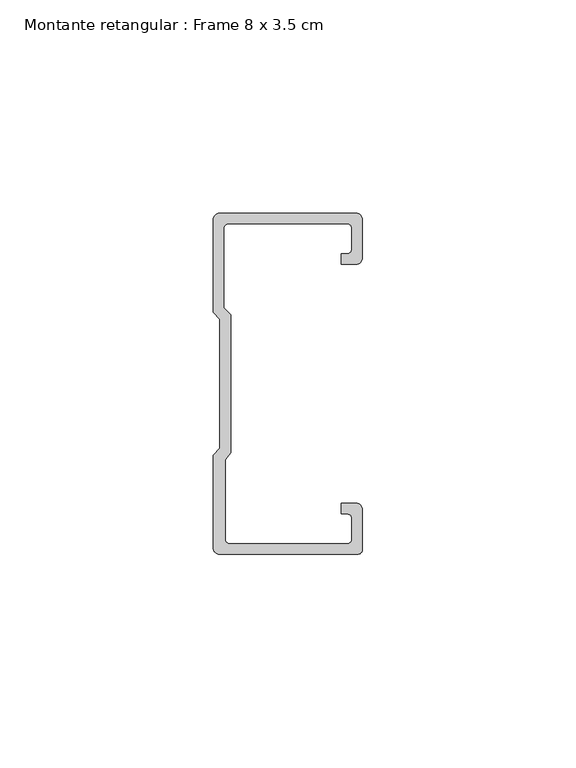
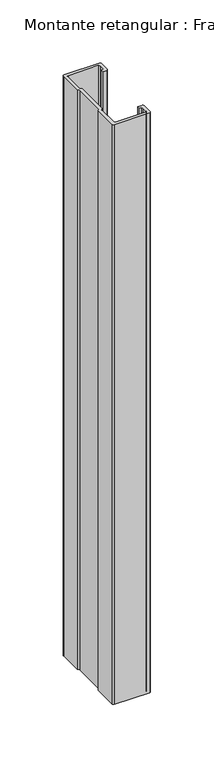
"""IFC4 building model written with IfcOpenShell, lengths in millimetres: member geometry, Montante retangular : Frame 8 x 3.5 cm."""

import ifcopenshell
import ifcopenshell.guid

model = None  # the IFC model being written
_history = None  # IfcOwnerHistory: only IFC2X3 demands one
_inside = {}  # id of a spatial element -> (the spatial element, [elements in it])
_under = {}  # id of a project, library or spatial element -> (it, [spatial elements below it])
_declared = {}  # id of a project -> (the project, [libraries it declares])
_typed = {}  # id of a type object -> (the type object, [elements of that type])
_made_of = {}  # id of a material, layer set ... -> (it, [elements and type objects made of it])


def new_model(schema):
    """Start an empty IFC model of exactly this schema.

    Asked for "IFC4X3", IfcOpenShell would pick the latest addendum, in which some entities
    have other attributes; the version numbers below select the first issue.
    IFC2X3 requires an IfcOwnerHistory on every rooted entity: one is made here for all.
    """
    global model, _history
    if schema == "IFC4X3":
        model = ifcopenshell.file(schema_version=(4, 3, 0, 0))
    else:
        model = ifcopenshell.file(schema=schema)
    _inside.clear()
    _under.clear()
    _declared.clear()
    _typed.clear()
    _made_of.clear()
    _history = None
    if model.schema == "IFC2X3":
        org = make("IfcOrganization", Name="unknown")
        user = make(
            "IfcPersonAndOrganization",
            ThePerson=make("IfcPerson", FamilyName="unknown"),
            TheOrganization=org,
        )
        app = make(
            "IfcApplication",
            ApplicationDeveloper=org,
            Version="unknown",
            ApplicationFullName="unknown",
            ApplicationIdentifier="unknown",
        )
        _history = make(
            "IfcOwnerHistory",
            OwningUser=user,
            OwningApplication=app,
            ChangeAction="ADDED",
            CreationDate=0,
        )
    return model


def make(cls, **values):
    """One entity of the class cls with the attributes given. An attribute that is None is left unset."""
    return model.create_entity(
        cls, **{name: value for name, value in values.items() if value is not None}
    )


def rooted(cls, **values):
    """An entity with a GlobalId (a new one), such as an element, a storey or a relation."""
    return make(cls, GlobalId=ifcopenshell.guid.new(), OwnerHistory=_history, **values)


def si_unit(unit_type, name, prefix=None):
    """IfcSIUnit, for example si_unit("LENGTHUNIT", "METRE", prefix="MILLI")."""
    return make("IfcSIUnit", UnitType=unit_type, Prefix=prefix, Name=name)


def assignment(units):
    """IfcUnitAssignment: the units of a project."""
    return None if units is None else make("IfcUnitAssignment", Units=units)


def point(xyz):
    """IfcCartesianPoint."""
    return None if xyz is None else make("IfcCartesianPoint", Coordinates=xyz)


def direction(xyz):
    """IfcDirection."""
    return None if xyz is None else make("IfcDirection", DirectionRatios=xyz)


def frame(location, z_axis=None, x_axis=None):
    """IfcAxis2Placement3D, a coordinate frame: its origin and axes. An axis left out is left unset."""
    return make(
        "IfcAxis2Placement3D",
        Location=point(location),
        Axis=direction(z_axis),
        RefDirection=direction(x_axis),
    )


def frame_2d(location, x_axis=None):
    """IfcAxis2Placement2D, a coordinate frame in the plane: its origin and x axis."""
    return make(
        "IfcAxis2Placement2D", Location=point(location), RefDirection=direction(x_axis)
    )


def origin():
    """The frame at (0, 0, 0) with its axes left unset."""
    return frame((0.0, 0.0, 0.0))


def place(relative_to, where):
    """IfcLocalPlacement: puts the frame where relative to a parent placement (None: the world)."""
    return make(
        "IfcLocalPlacement", PlacementRelTo=relative_to, RelativePlacement=where
    )


def context(
    kind, dimensions, precision=None, world=None, true_north=None, identifier=None
):
    """IfcGeometricRepresentationContext, for example the 3D "Model" context."""
    return make(
        "IfcGeometricRepresentationContext",
        ContextIdentifier=identifier,
        ContextType=kind,
        CoordinateSpaceDimension=dimensions,
        Precision=precision,
        WorldCoordinateSystem=world,
        TrueNorth=true_north,
    )


def project(units=None, contexts=None):
    """IfcProject with its units and contexts."""
    return rooted(
        "IfcProject",
        Name="project",
        RepresentationContexts=contexts,
        UnitsInContext=assignment(units),
    )


def spatial(cls, under=None, at=None, **own):
    """A site, building, storey or space (cls), placed at a placement, below another one or the project."""
    s = rooted(cls, ObjectPlacement=at, **own)
    if under is not None:
        _under.setdefault(under.id(), (under, []))[1].append(s)
    return s


def polyline(points):
    """IfcPolyline through the points."""
    return make("IfcPolyline", Points=[point(p) for p in points])


def circle_curve(where, radius):
    """IfcCircle in the frame where."""
    return make("IfcCircle", Position=where, Radius=radius)


def trimmed(basis, trim1, trim2, sense, master):
    """IfcTrimmedCurve: the piece of a basis curve between two trims."""
    return make(
        "IfcTrimmedCurve",
        BasisCurve=basis,
        Trim1=trim1,
        Trim2=trim2,
        SenseAgreement=sense,
        MasterRepresentation=master,
    )


def segment(curve, same_sense, transition):
    """IfcCompositeCurveSegment."""
    return make(
        "IfcCompositeCurveSegment",
        Transition=transition,
        SameSense=same_sense,
        ParentCurve=curve,
    )


def composite_curve(segments, self_intersect=None):
    """IfcCompositeCurve: segments joined end to end."""
    return make("IfcCompositeCurve", Segments=segments, SelfIntersect=self_intersect)


def outline(outer, holes=None, kind="AREA"):
    """IfcArbitraryClosedProfileDef: a profile drawn as a closed curve; with holes, ...WithVoids."""
    if holes is None:
        return make("IfcArbitraryClosedProfileDef", ProfileType=kind, OuterCurve=outer)
    return make(
        "IfcArbitraryProfileDefWithVoids",
        ProfileType=kind,
        OuterCurve=outer,
        InnerCurves=holes,
    )


def extrude(swept, where, along, depth):
    """IfcExtrudedAreaSolid: the profile swept, set in the frame where, extruded along a direction by depth."""
    return make(
        "IfcExtrudedAreaSolid",
        SweptArea=swept,
        Position=where,
        ExtrudedDirection=direction(along),
        Depth=depth,
    )


def shape(context_of_items, identifier, shape_type, items):
    """IfcShapeRepresentation: the items that make up one representation, for example the "Body"."""
    return make(
        "IfcShapeRepresentation",
        ContextOfItems=context_of_items,
        RepresentationIdentifier=identifier,
        RepresentationType=shape_type,
        Items=items,
    )


def source(mapping_origin, context_of_items, identifier, shape_type, items):
    """IfcRepresentationMap: a shape defined once, which mapped items show again and again."""
    return make(
        "IfcRepresentationMap",
        MappingOrigin=mapping_origin,
        MappedRepresentation=shape(context_of_items, identifier, shape_type, items),
    )


def transform(
    local_origin,
    x_axis=None,
    y_axis=None,
    z_axis=None,
    scale=None,
    scale2=None,
    scale3=None,
    uniform=True,
):
    """IfcCartesianTransformationOperator3D, or its non-uniform kind. x_axis, y_axis, z_axis: its Axis1, 2, 3."""
    if uniform:
        return make(
            "IfcCartesianTransformationOperator3D",
            Axis1=direction(x_axis),
            Axis2=direction(y_axis),
            LocalOrigin=point(local_origin),
            Scale=scale,
            Axis3=direction(z_axis),
        )
    return make(
        "IfcCartesianTransformationOperator3DnonUniform",
        Axis1=direction(x_axis),
        Axis2=direction(y_axis),
        LocalOrigin=point(local_origin),
        Scale=scale,
        Axis3=direction(z_axis),
        Scale2=scale2,
        Scale3=scale3,
    )


def mapped(mapping_source, mapping_target):
    """IfcMappedItem: shows the shape of a source again, moved by a transform."""
    return make(
        "IfcMappedItem", MappingSource=mapping_source, MappingTarget=mapping_target
    )


def made_of(thing, what):
    """Note that an element or type object is made of a material, layer set ...; save() writes the relation."""
    if what is not None:
        _made_of.setdefault(what.id(), (what, []))[1].append(thing)
    return thing


def element(
    cls,
    number,
    at=None,
    inside=None,
    cuts=None,
    type_object=None,
    material=None,
    context=None,
    identifier="Body",
    shape_type=None,
    held_by="IfcProductDefinitionShape",
    body=None,
    shapes=None,
    **own,
):
    """One element of the class cls, such as IfcWall. Its Tag is "e" and its number.

    at: its placement. inside: the storey or other place that contains it. cuts: it is an
    opening in that element (IfcRelVoidsElement). A single representation is given by context,
    identifier, shape_type and body (its items); several are given by shapes. held_by: the class
    of the entity that holds the representations. save() writes the other relations.
    """
    e = rooted(cls, Tag="e%d" % number, ObjectPlacement=at, **own)
    if body is not None:
        shapes = [shape(context, identifier, shape_type, body)]
    if shapes is not None:
        e.Representation = make(held_by, Representations=shapes)
    if inside is not None:
        _inside.setdefault(inside.id(), (inside, []))[1].append(e)
    if cuts is not None:
        rooted(
            "IfcRelVoidsElement", RelatingBuildingElement=cuts, RelatedOpeningElement=e
        )
    if type_object is not None:
        _typed.setdefault(type_object.id(), (type_object, []))[1].append(e)
    return made_of(e, material)


def aggregate(whole, parts):
    """IfcRelAggregates: a whole, such as a stair, and the parts it consists of."""
    return rooted("IfcRelAggregates", RelatingObject=whole, RelatedObjects=parts)


def save(model, path):
    """Write the relations noted so far, then the file.

    IfcRelAggregates (storeys below a building ...), IfcRelContainedInSpatialStructure (elements
    in a storey), IfcRelDefinesByType, IfcRelAssociatesMaterial and IfcRelDeclares: one each for
    every whole, place, type object, material and project.
    """
    for whole, parts in _under.values():
        aggregate(whole, parts)
    for where, things in _inside.values():
        rooted(
            "IfcRelContainedInSpatialStructure",
            RelatedElements=things,
            RelatingStructure=where,
        )
    for kind, things in _typed.values():
        rooted("IfcRelDefinesByType", RelatedObjects=things, RelatingType=kind)
    for what, things in _made_of.values():
        rooted("IfcRelAssociatesMaterial", RelatedObjects=things, RelatingMaterial=what)
    for by, libraries in _declared.values():
        rooted("IfcRelDeclares", RelatingContext=by, RelatedDefinitions=libraries)
    model.write(path)


def montante_retangular_frame_8_x_3_5_cm_5c918c9e(model_context):
    return source(origin(), model_context, "Body", "SweptSolid", [
        extrude(outline(composite_curve([segment(trimmed(circle_curve(frame_2d((-1.5, 29.5276505)), 1.5), [point((0.0, 29.5276505))], [point((-1.5, 28.0276505))], False, "CARTESIAN"), True, "CONTINUOUS"), segment(polyline([(-1.5, 28.0276505), (-4.9837744, 28.0276505), (-4.9837744, 30.5276505), (-3.5, 30.5276505)]), True, "CONTINUOUS"), segment(trimmed(circle_curve(frame_2d((-3.5, 31.5276505)), 1.0), [point((-3.5, 30.5276505))], [point((-2.5, 31.5276505))], True, "CARTESIAN"), True, "CONTINUOUS"), segment(polyline([(-2.5, 31.5276505), (-2.5, 36.5)]), True, "CONTINUOUS"), segment(trimmed(circle_curve(frame_2d((-3.5, 36.5)), 1.0), [point((-2.5, 36.5))], [point((-3.5, 37.5))], True, "CARTESIAN"), True, "CONTINUOUS"), segment(polyline([(-3.5, 37.5), (-31.5, 37.5)]), True, "CONTINUOUS"), segment(trimmed(circle_curve(frame_2d((-31.5, 36.5)), 1.0), [point((-31.5, 37.5))], [point((-32.5, 36.5))], True, "CARTESIAN"), True, "CONTINUOUS"), segment(polyline([(-32.5, 36.5), (-32.5, 17.7978001), (-30.9122869, 16.2100869), (-30.9122869, -16.1794816), (-32.192786, -17.7671948), (-32.192786, -36.5)]), True, "CONTINUOUS"), segment(trimmed(circle_curve(frame_2d((-31.192786, -36.5)), 1.0), [point((-32.192786, -36.5))], [point((-31.192786, -37.5))], True, "CARTESIAN"), True, "CONTINUOUS"), segment(polyline([(-31.192786, -37.5), (-3.5, -37.5)]), True, "CONTINUOUS"), segment(trimmed(circle_curve(frame_2d((-3.5, -36.5)), 1.0), [point((-3.5, -37.5))], [point((-2.5, -36.5))], True, "CARTESIAN"), True, "CONTINUOUS"), segment(polyline([(-2.5, -36.5), (-2.5, -31.5276505)]), True, "CONTINUOUS"), segment(trimmed(circle_curve(frame_2d((-3.5, -31.5276505)), 1.0), [point((-2.5, -31.5276505))], [point((-3.5, -30.5276505))], True, "CARTESIAN"), True, "CONTINUOUS"), segment(polyline([(-3.5, -30.5276505), (-4.9837744, -30.5276505), (-4.9837744, -28.0276505), (-1.5, -28.0276505)]), True, "CONTINUOUS"), segment(trimmed(circle_curve(frame_2d((-1.5, -29.5276505)), 1.5), [point((-1.5, -28.0276505))], [point((0.0, -29.5276505))], False, "CARTESIAN"), True, "CONTINUOUS"), segment(polyline([(0.0, -29.5276505), (0.0, -38.8171833)]), True, "CONTINUOUS"), segment(trimmed(circle_curve(frame_2d((-1.1828167, -38.8171833)), 1.1828167), [point((0.0, -38.8171833))], [point((-1.1828167, -40.0))], False, "CARTESIAN"), True, "CONTINUOUS"), segment(polyline([(-1.1828167, -40.0), (-33.5, -40.0)]), True, "CONTINUOUS"), segment(trimmed(circle_curve(frame_2d((-33.5, -38.5)), 1.5), [point((-33.5, -40.0))], [point((-35.0, -38.5))], False, "CARTESIAN"), True, "CONTINUOUS"), segment(polyline([(-35.0, -38.5), (-35.0, -16.7622662), (-33.4122869, -15.174553), (-33.4122869, 15.174553), (-35.0, 16.7622662), (-35.0, 38.5)]), True, "CONTINUOUS"), segment(trimmed(circle_curve(frame_2d((-33.5, 38.5)), 1.5), [point((-35.0, 38.5))], [point((-33.5, 40.0))], False, "CARTESIAN"), True, "CONTINUOUS"), segment(polyline([(-33.5, 40.0), (-1.5, 40.0)]), True, "CONTINUOUS"), segment(trimmed(circle_curve(frame_2d((-1.5, 38.5)), 1.5), [point((-1.5, 40.0))], [point((0.0, 38.5))], False, "CARTESIAN"), True, "CONTINUOUS"), segment(polyline([(0.0, 38.5), (0.0, 29.5276505)]), True, "CONTINUOUS")], self_intersect=False)), frame((0.0, 0.0, -565.0), z_axis=(0.0, 0.0, 1.0), x_axis=(1.0, 0.0, 0.0)), (0.0, 0.0, 1.0), 565.0),
    ])


if __name__ == "__main__":
    model = new_model("IFC4")
    model_context = context("Model", 3, world=origin())
    ifc_project = project(units=[si_unit("LENGTHUNIT", "METRE", prefix="MILLI")], contexts=[model_context])
    site = spatial("IfcSite", under=ifc_project)
    building = spatial("IfcBuilding", under=site)
    placement = place(None, origin())
    montante_retangular_frame_8_x_3_5_cm_shape = montante_retangular_frame_8_x_3_5_cm_5c918c9e(model_context)
    element("IfcMember", 1, ObjectType="Montante retangular : Frame 8 x 3.5 cm", at=placement, inside=building, context=model_context, shape_type="MappedRepresentation", body=[
        mapped(montante_retangular_frame_8_x_3_5_cm_shape, transform((0.0, 0.0, 0.0), x_axis=(1.0, 0.0, 0.0), y_axis=(0.0, 1.0, 0.0), z_axis=(0.0, 0.0, 1.0))),
    ])
    save(model, "model.ifc")
